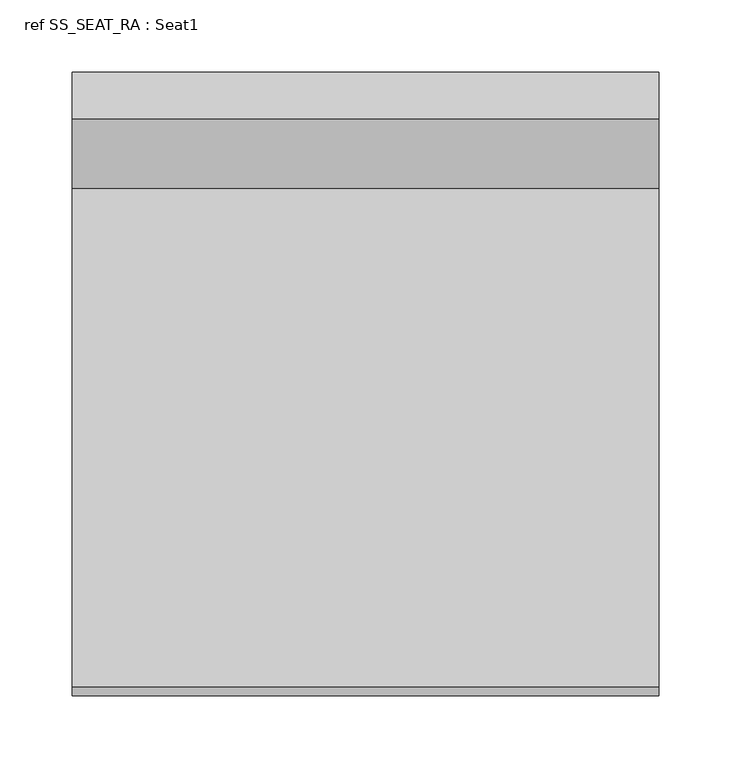
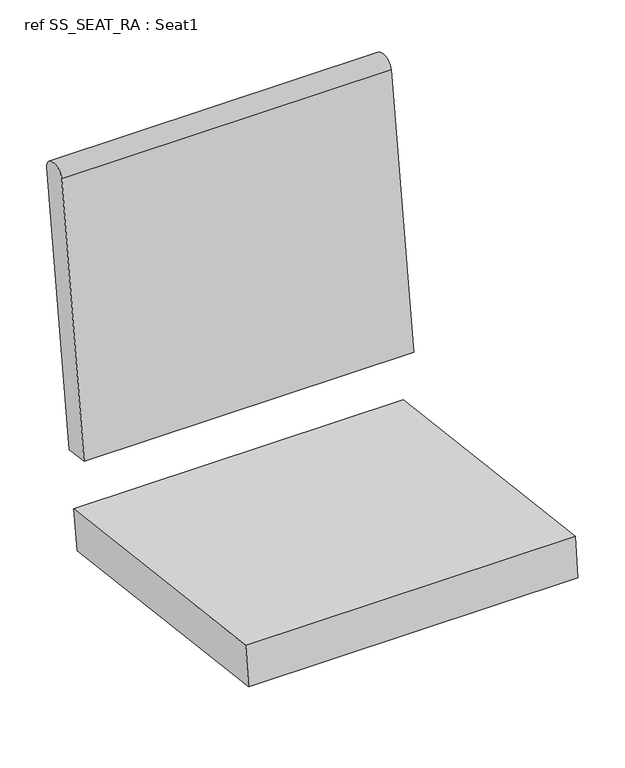
"""IFC4 building model written with IfcOpenShell, lengths in millimetres: furniture geometry, ref SS_SEAT_RA : Seat1."""

from ifc_helpers import new_model, si_unit, point, frame, origin, place, context, project, spatial, ellipse_curve, trimmed, faceted_brep, source, transform, mapped, element, save
from ifc_brep_helpers import plane_surface, extruded_surface, advanced_brep


def ref_ss_seat_ra_seat1_15935717(model_context):
    return source(origin(), model_context, "Body", "SolidModel", [
        faceted_brep([(-203.2, -113.9966481, 335.124464), (-203.2, -480.8325016, 380.1662432), (-203.2, -474.641539, 430.5875877), (-203.2, -106.9255776, 385.4377448), (203.2, -113.9966481, 335.124464), (203.2, -106.9255776, 385.4377448), (203.2, -474.641539, 430.5875877), (203.2, -480.8325016, 380.1662432)], [[[0, 1, 2, 3]], [[4, 5, 6, 7]], [[3, 5, 4, 0]], [[2, 6, 5, 3]], [[1, 7, 6, 2]], [[0, 4, 7, 1]]]),
        advanced_brep(
        [(-203.2, -49.1954747, 796.2087711), (-203.2, -96.917931, 456.6458503), (-203.2, -129.4278716, 461.2148245), (-203.2, -81.7054153, 800.7777452), (203.2, -49.1954747, 796.2087711), (203.2, -81.7054153, 800.7777452), (203.2, -129.4278716, 461.2148245), (203.2, -96.917931, 456.6458503)],
        [
            (0, 1),
            (1, 2),
            (2, 3),
            (3, 0, ellipse_curve(frame((-203.2, -65.450445, 798.4932581), z_axis=(-1.0, 0.0, 0.0), x_axis=(0.0, 0.9902680687415757, -0.1391731009600272)), 16.4147172, 12.7)),
            (4, 5, ellipse_curve(frame((203.2, -65.450445, 798.4932581), z_axis=(1.0, 0.0, 0.0), x_axis=(0.0, 0.9902680687415757, -0.1391731009600272)), 16.4147172, 12.7)),
            (5, 6),
            (6, 7),
            (7, 4),
            (2, 6),
            (5, 3),
            (1, 7),
            (0, 4),
        ],
        [
            plane_surface(frame((-203.2, -113.9966481, 335.124464), z_axis=(-1.0, 0.0, 0.0), x_axis=(0.0, 0.1391731009600273, 0.9902680687415757))),
            plane_surface(frame((203.2, -113.9966481, 335.124464), z_axis=(1.0, 0.0, 0.0), x_axis=(0.0, -0.1391731009600273, -0.9902680687415757))),
            plane_surface(frame((-203.2, -81.7054153, 800.7777452), z_axis=(0.0, -0.9902680687415755, 0.13917310096002888), x_axis=(1.0, 0.0, 0.0))),
            plane_surface(frame((-203.2, -129.4278716, 461.2148245), z_axis=(0.0, -0.13917310096003188, -0.990268068741575), x_axis=(1.0, 0.0, 0.0))),
            plane_surface(frame((-203.2, -96.917931, 456.6458503), z_axis=(0.0, 0.9902680687415755, -0.13917310096002874), x_axis=(1.0, 0.0, 0.0))),
            extruded_surface(trimmed(ellipse_curve(frame((0.0, -65.450445, 798.4932581), z_axis=(1.0, 0.0, 0.0), x_axis=(0.0, 0.9902680687415757, -0.1391731009600272)), 16.4147172, 12.7), [point((0.0, -49.1954747, 796.2087711))], [point((0.0, -81.7054153, 800.7777452))], True, "CARTESIAN"), (406.4, 0.0, 0.0), 406.4),
        ],
        [
            (0, [[1, 2, 3, 4]]),
            (1, [[5, 6, 7, 8]]),
            (2, [[9, -6, 10, -3]]),
            (3, [[11, -7, -9, -2]]),
            (4, [[12, -8, -11, -1]]),
            (5, [[-10, -5, -12, -4]]),
        ],
    ),
    ])


if __name__ == "__main__":
    model = new_model("IFC4")
    model_context = context("Model", 3, world=origin())
    ifc_project = project(units=[si_unit("LENGTHUNIT", "METRE", prefix="MILLI")], contexts=[model_context])
    site = spatial("IfcSite", under=ifc_project)
    building = spatial("IfcBuilding", under=site)
    placement = place(None, origin())
    ref_ss_seat_ra_seat1_shape = ref_ss_seat_ra_seat1_15935717(model_context)
    element("IfcFurniture", 1, ObjectType="ref SS_SEAT_RA : Seat1", at=placement, inside=building, context=model_context, shape_type="MappedRepresentation", body=[
        mapped(ref_ss_seat_ra_seat1_shape, transform((0.0, 0.0, 0.0), x_axis=(1.0, 0.0, 0.0), y_axis=(0.0, 1.0, 0.0), z_axis=(0.0, 0.0, 1.0))),
    ])
    save(model, "model.ifc")
